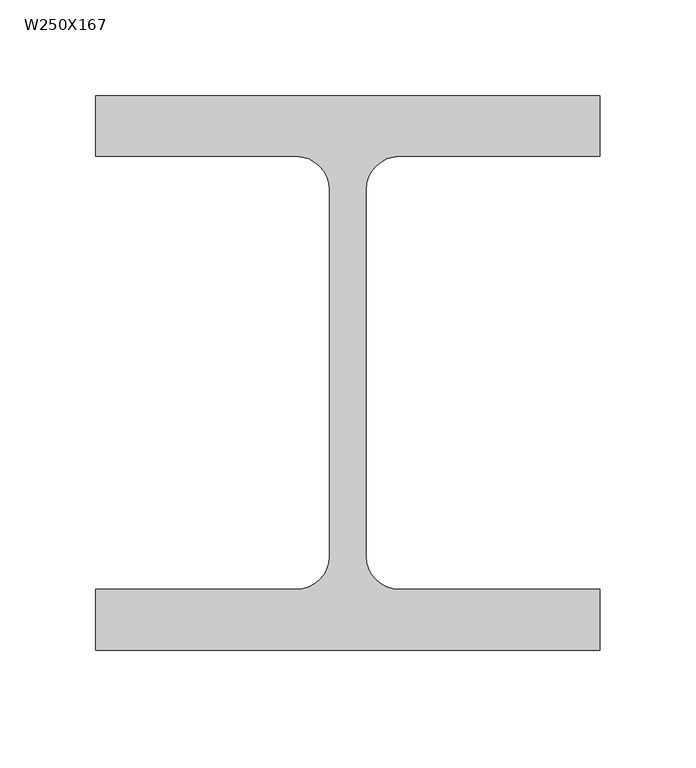
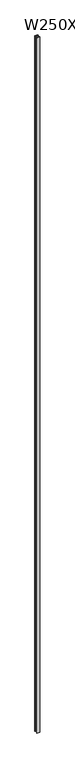
"""IFC4 building model written with IfcOpenShell, lengths in millimetres: column geometry, W250X167."""

import ifcopenshell
import ifcopenshell.guid

model = None  # the IFC model being written
_history = None  # IfcOwnerHistory: only IFC2X3 demands one
_inside = {}  # id of a spatial element -> (the spatial element, [elements in it])
_under = {}  # id of a project, library or spatial element -> (it, [spatial elements below it])
_declared = {}  # id of a project -> (the project, [libraries it declares])
_typed = {}  # id of a type object -> (the type object, [elements of that type])
_made_of = {}  # id of a material, layer set ... -> (it, [elements and type objects made of it])


def new_model(schema):
    """Start an empty IFC model of exactly this schema.

    Asked for "IFC4X3", IfcOpenShell would pick the latest addendum, in which some entities
    have other attributes; the version numbers below select the first issue.
    IFC2X3 requires an IfcOwnerHistory on every rooted entity: one is made here for all.
    """
    global model, _history
    if schema == "IFC4X3":
        model = ifcopenshell.file(schema_version=(4, 3, 0, 0))
    else:
        model = ifcopenshell.file(schema=schema)
    _inside.clear()
    _under.clear()
    _declared.clear()
    _typed.clear()
    _made_of.clear()
    _history = None
    if model.schema == "IFC2X3":
        org = make("IfcOrganization", Name="unknown")
        user = make(
            "IfcPersonAndOrganization",
            ThePerson=make("IfcPerson", FamilyName="unknown"),
            TheOrganization=org,
        )
        app = make(
            "IfcApplication",
            ApplicationDeveloper=org,
            Version="unknown",
            ApplicationFullName="unknown",
            ApplicationIdentifier="unknown",
        )
        _history = make(
            "IfcOwnerHistory",
            OwningUser=user,
            OwningApplication=app,
            ChangeAction="ADDED",
            CreationDate=0,
        )
    return model


def make(cls, **values):
    """One entity of the class cls with the attributes given. An attribute that is None is left unset."""
    return model.create_entity(
        cls, **{name: value for name, value in values.items() if value is not None}
    )


def rooted(cls, **values):
    """An entity with a GlobalId (a new one), such as an element, a storey or a relation."""
    return make(cls, GlobalId=ifcopenshell.guid.new(), OwnerHistory=_history, **values)


def si_unit(unit_type, name, prefix=None):
    """IfcSIUnit, for example si_unit("LENGTHUNIT", "METRE", prefix="MILLI")."""
    return make("IfcSIUnit", UnitType=unit_type, Prefix=prefix, Name=name)


def assignment(units):
    """IfcUnitAssignment: the units of a project."""
    return None if units is None else make("IfcUnitAssignment", Units=units)


def point(xyz):
    """IfcCartesianPoint."""
    return None if xyz is None else make("IfcCartesianPoint", Coordinates=xyz)


def direction(xyz):
    """IfcDirection."""
    return None if xyz is None else make("IfcDirection", DirectionRatios=xyz)


def frame(location, z_axis=None, x_axis=None):
    """IfcAxis2Placement3D, a coordinate frame: its origin and axes. An axis left out is left unset."""
    return make(
        "IfcAxis2Placement3D",
        Location=point(location),
        Axis=direction(z_axis),
        RefDirection=direction(x_axis),
    )


def frame_2d(location, x_axis=None):
    """IfcAxis2Placement2D, a coordinate frame in the plane: its origin and x axis."""
    return make(
        "IfcAxis2Placement2D", Location=point(location), RefDirection=direction(x_axis)
    )


def origin():
    """The frame at (0, 0, 0) with its axes left unset."""
    return frame((0.0, 0.0, 0.0))


def origin_with_axes():
    """The frame at (0, 0, 0) with the z axis (0, 0, 1) and the x axis (1, 0, 0) written out."""
    return frame((0.0, 0.0, 0.0), z_axis=(0.0, 0.0, 1.0), x_axis=(1.0, 0.0, 0.0))


def place(relative_to, where):
    """IfcLocalPlacement: puts the frame where relative to a parent placement (None: the world)."""
    return make(
        "IfcLocalPlacement", PlacementRelTo=relative_to, RelativePlacement=where
    )


def context(
    kind, dimensions, precision=None, world=None, true_north=None, identifier=None
):
    """IfcGeometricRepresentationContext, for example the 3D "Model" context."""
    return make(
        "IfcGeometricRepresentationContext",
        ContextIdentifier=identifier,
        ContextType=kind,
        CoordinateSpaceDimension=dimensions,
        Precision=precision,
        WorldCoordinateSystem=world,
        TrueNorth=true_north,
    )


def project(units=None, contexts=None):
    """IfcProject with its units and contexts."""
    return rooted(
        "IfcProject",
        Name="project",
        RepresentationContexts=contexts,
        UnitsInContext=assignment(units),
    )


def spatial(cls, under=None, at=None, **own):
    """A site, building, storey or space (cls), placed at a placement, below another one or the project."""
    s = rooted(cls, ObjectPlacement=at, **own)
    if under is not None:
        _under.setdefault(under.id(), (under, []))[1].append(s)
    return s


def polyline(points):
    """IfcPolyline through the points."""
    return make("IfcPolyline", Points=[point(p) for p in points])


def circle_curve(where, radius):
    """IfcCircle in the frame where."""
    return make("IfcCircle", Position=where, Radius=radius)


def trimmed(basis, trim1, trim2, sense, master):
    """IfcTrimmedCurve: the piece of a basis curve between two trims."""
    return make(
        "IfcTrimmedCurve",
        BasisCurve=basis,
        Trim1=trim1,
        Trim2=trim2,
        SenseAgreement=sense,
        MasterRepresentation=master,
    )


def segment(curve, same_sense, transition):
    """IfcCompositeCurveSegment."""
    return make(
        "IfcCompositeCurveSegment",
        Transition=transition,
        SameSense=same_sense,
        ParentCurve=curve,
    )


def composite_curve(segments, self_intersect=None):
    """IfcCompositeCurve: segments joined end to end."""
    return make("IfcCompositeCurve", Segments=segments, SelfIntersect=self_intersect)


def outline(outer, holes=None, kind="AREA"):
    """IfcArbitraryClosedProfileDef: a profile drawn as a closed curve; with holes, ...WithVoids."""
    if holes is None:
        return make("IfcArbitraryClosedProfileDef", ProfileType=kind, OuterCurve=outer)
    return make(
        "IfcArbitraryProfileDefWithVoids",
        ProfileType=kind,
        OuterCurve=outer,
        InnerCurves=holes,
    )


def extrude(swept, where, along, depth):
    """IfcExtrudedAreaSolid: the profile swept, set in the frame where, extruded along a direction by depth."""
    return make(
        "IfcExtrudedAreaSolid",
        SweptArea=swept,
        Position=where,
        ExtrudedDirection=direction(along),
        Depth=depth,
    )


def shape(context_of_items, identifier, shape_type, items):
    """IfcShapeRepresentation: the items that make up one representation, for example the "Body"."""
    return make(
        "IfcShapeRepresentation",
        ContextOfItems=context_of_items,
        RepresentationIdentifier=identifier,
        RepresentationType=shape_type,
        Items=items,
    )


def source(mapping_origin, context_of_items, identifier, shape_type, items):
    """IfcRepresentationMap: a shape defined once, which mapped items show again and again."""
    return make(
        "IfcRepresentationMap",
        MappingOrigin=mapping_origin,
        MappedRepresentation=shape(context_of_items, identifier, shape_type, items),
    )


def transform(
    local_origin,
    x_axis=None,
    y_axis=None,
    z_axis=None,
    scale=None,
    scale2=None,
    scale3=None,
    uniform=True,
):
    """IfcCartesianTransformationOperator3D, or its non-uniform kind. x_axis, y_axis, z_axis: its Axis1, 2, 3."""
    if uniform:
        return make(
            "IfcCartesianTransformationOperator3D",
            Axis1=direction(x_axis),
            Axis2=direction(y_axis),
            LocalOrigin=point(local_origin),
            Scale=scale,
            Axis3=direction(z_axis),
        )
    return make(
        "IfcCartesianTransformationOperator3DnonUniform",
        Axis1=direction(x_axis),
        Axis2=direction(y_axis),
        LocalOrigin=point(local_origin),
        Scale=scale,
        Axis3=direction(z_axis),
        Scale2=scale2,
        Scale3=scale3,
    )


def mapped(mapping_source, mapping_target):
    """IfcMappedItem: shows the shape of a source again, moved by a transform."""
    return make(
        "IfcMappedItem", MappingSource=mapping_source, MappingTarget=mapping_target
    )


def made_of(thing, what):
    """Note that an element or type object is made of a material, layer set ...; save() writes the relation."""
    if what is not None:
        _made_of.setdefault(what.id(), (what, []))[1].append(thing)
    return thing


def element(
    cls,
    number,
    at=None,
    inside=None,
    cuts=None,
    type_object=None,
    material=None,
    context=None,
    identifier="Body",
    shape_type=None,
    held_by="IfcProductDefinitionShape",
    body=None,
    shapes=None,
    **own,
):
    """One element of the class cls, such as IfcWall. Its Tag is "e" and its number.

    at: its placement. inside: the storey or other place that contains it. cuts: it is an
    opening in that element (IfcRelVoidsElement). A single representation is given by context,
    identifier, shape_type and body (its items); several are given by shapes. held_by: the class
    of the entity that holds the representations. save() writes the other relations.
    """
    e = rooted(cls, Tag="e%d" % number, ObjectPlacement=at, **own)
    if body is not None:
        shapes = [shape(context, identifier, shape_type, body)]
    if shapes is not None:
        e.Representation = make(held_by, Representations=shapes)
    if inside is not None:
        _inside.setdefault(inside.id(), (inside, []))[1].append(e)
    if cuts is not None:
        rooted(
            "IfcRelVoidsElement", RelatingBuildingElement=cuts, RelatedOpeningElement=e
        )
    if type_object is not None:
        _typed.setdefault(type_object.id(), (type_object, []))[1].append(e)
    return made_of(e, material)


def aggregate(whole, parts):
    """IfcRelAggregates: a whole, such as a stair, and the parts it consists of."""
    return rooted("IfcRelAggregates", RelatingObject=whole, RelatedObjects=parts)


def save(model, path):
    """Write the relations noted so far, then the file.

    IfcRelAggregates (storeys below a building ...), IfcRelContainedInSpatialStructure (elements
    in a storey), IfcRelDefinesByType, IfcRelAssociatesMaterial and IfcRelDeclares: one each for
    every whole, place, type object, material and project.
    """
    for whole, parts in _under.values():
        aggregate(whole, parts)
    for where, things in _inside.values():
        rooted(
            "IfcRelContainedInSpatialStructure",
            RelatedElements=things,
            RelatingStructure=where,
        )
    for kind, things in _typed.values():
        rooted("IfcRelDefinesByType", RelatedObjects=things, RelatingType=kind)
    for what, things in _made_of.values():
        rooted("IfcRelAssociatesMaterial", RelatedObjects=things, RelatingMaterial=what)
    for by, libraries in _declared.values():
        rooted("IfcRelDeclares", RelatingContext=by, RelatedDefinitions=libraries)
    model.write(path)


def w250x167_19cfc144(model_context):
    return source(origin(), model_context, "Body", "SweptSolid", [
        extrude(outline(composite_curve([segment(polyline([(132.0, 145.0), (132.0, 113.2), (27.0, 113.2)]), True, "CONTINUOUS"), segment(trimmed(circle_curve(frame_2d((27.0, 95.8)), 17.4), [point((27.0, 113.2))], [point((9.6, 95.8))], True, "CARTESIAN"), True, "CONTINUOUS"), segment(polyline([(9.6, 95.8), (9.6, -95.8)]), True, "CONTINUOUS"), segment(trimmed(circle_curve(frame_2d((27.0, -95.8)), 17.4), [point((9.6, -95.8))], [point((27.0, -113.2))], True, "CARTESIAN"), True, "CONTINUOUS"), segment(polyline([(27.0, -113.2), (132.0, -113.2), (132.0, -145.0), (-132.0, -145.0), (-132.0, -113.2), (-27.0, -113.2)]), True, "CONTINUOUS"), segment(trimmed(circle_curve(frame_2d((-27.0, -95.8)), 17.4), [point((-27.0, -113.2))], [point((-9.6, -95.8))], True, "CARTESIAN"), True, "CONTINUOUS"), segment(polyline([(-9.6, -95.8), (-9.6, 95.8)]), True, "CONTINUOUS"), segment(trimmed(circle_curve(frame_2d((-27.0, 95.8)), 17.4), [point((-9.6, 95.8))], [point((-27.0, 113.2))], True, "CARTESIAN"), True, "CONTINUOUS"), segment(polyline([(-27.0, 113.2), (-132.0, 113.2), (-132.0, 145.0), (132.0, 145.0)]), True, "CONTINUOUS")], self_intersect=False)), origin_with_axes(), (0.0, 0.0, 1.0), 66775.0),
    ])


if __name__ == "__main__":
    model = new_model("IFC4")
    model_context = context("Model", 3, world=origin())
    ifc_project = project(units=[si_unit("LENGTHUNIT", "METRE", prefix="MILLI")], contexts=[model_context])
    site = spatial("IfcSite", under=ifc_project)
    building = spatial("IfcBuilding", under=site)
    placement = place(None, origin())
    w250x167_shape = w250x167_19cfc144(model_context)
    element("IfcColumn", 1, ObjectType="W250X167", at=placement, inside=building, context=model_context, shape_type="MappedRepresentation", body=[
        mapped(w250x167_shape, transform((0.0, 0.0, 0.0), x_axis=(1.0, 0.0, 0.0), y_axis=(0.0, 1.0, 0.0), z_axis=(0.0, 0.0, 1.0))),
    ])
    save(model, "model.ifc")
